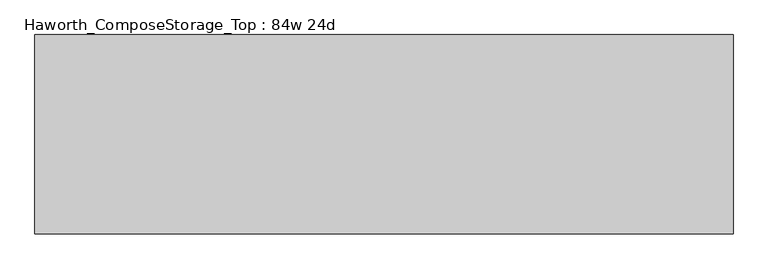
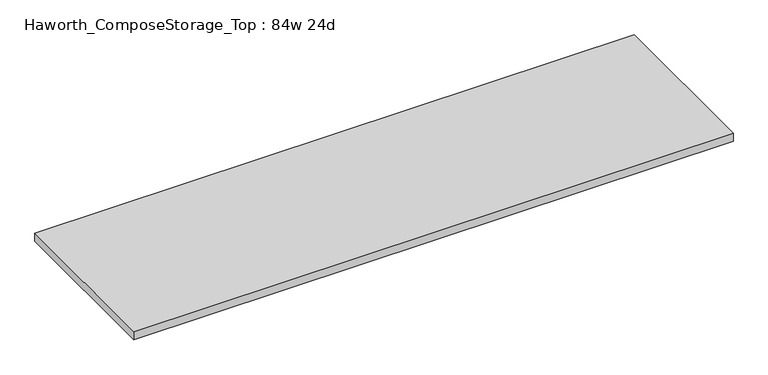
"""IFC4 building model written with IfcOpenShell, lengths in millimetres: furniture geometry, Haworth_ComposeStorage_Top : 84w 24d."""

from ifc_helpers import new_model, si_unit, frame, origin, place, context, project, spatial, polyline, outline, extrude, source, transform, mapped, element, save


def haworth_composestorage_top_84w_24d_002952f4(model_context):
    return source(origin(), model_context, "Body", "SweptSolid", [
        extrude(outline(polyline([(1066.8, 304.8), (1066.8, -304.8), (-1066.8, -304.8), (-1066.8, 304.8), (1066.8, 304.8)])), frame((0.0, 0.0, 706.4375), z_axis=(0.0, 0.0, 1.0), x_axis=(1.0, 0.0, 0.0)), (0.0, 0.0, 1.0), 30.1625),
    ])


if __name__ == "__main__":
    model = new_model("IFC4")
    model_context = context("Model", 3, world=origin())
    ifc_project = project(units=[si_unit("LENGTHUNIT", "METRE", prefix="MILLI")], contexts=[model_context])
    site = spatial("IfcSite", under=ifc_project)
    building = spatial("IfcBuilding", under=site)
    placement = place(None, origin())
    haworth_composestorage_top_84w_24d_shape = haworth_composestorage_top_84w_24d_002952f4(model_context)
    element("IfcFurniture", 1, ObjectType="Haworth_ComposeStorage_Top : 84w 24d", at=placement, inside=building, context=model_context, shape_type="MappedRepresentation", body=[
        mapped(haworth_composestorage_top_84w_24d_shape, transform((0.0, 0.0, 0.0), x_axis=(1.0, 0.0, 0.0), y_axis=(0.0, 1.0, 0.0), z_axis=(0.0, 0.0, 1.0))),
    ])
    save(model, "model.ifc")
